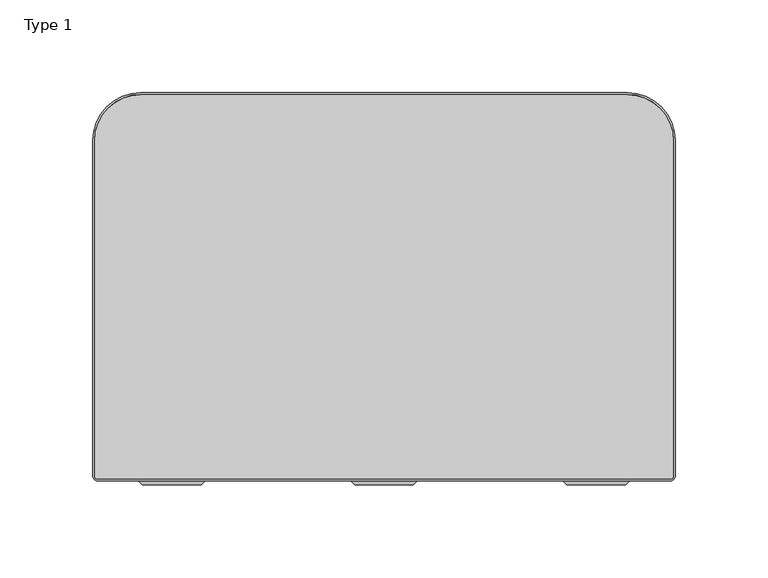
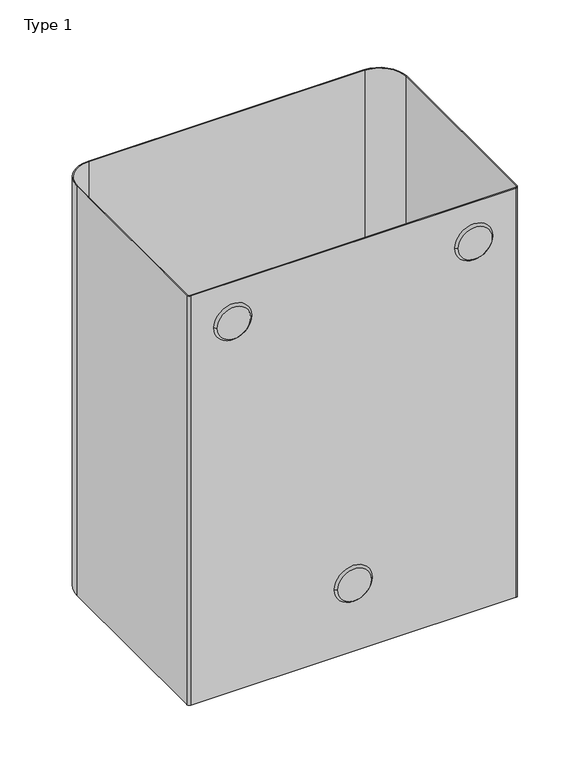
"""IFC4 building model written with IfcOpenShell, lengths in millimetres: furniture geometry, Type 1."""

from ifc_helpers import new_model, si_unit, point, frame, frame_2d, origin, origin_with_axes, place, context, project, spatial, polyline, circle_curve, trimmed, segment, composite_curve, outline, extrude, source, transform, mapped, element, save
from ifc_brep_helpers import plane_surface, revolved_surface, advanced_brep


def type_1_857451b2(model_context):
    return source(origin(), model_context, "Body", "SolidModel", [
        advanced_brep(
        [(140.8750003, 76.0, 68.0000009), (109.1249997, 76.0, 68.0000009), (143.0499997, 78.1750126, 68.0000009), (106.9500003, 78.1750126, 68.0000009)],
        [
            (0, 1, circle_curve(frame((125.0, 76.0, 68.0000009), z_axis=(0.0, -1.0, 0.0), x_axis=(1.0, 0.0, 0.0)), 15.8750003)),
            (1, 0, circle_curve(frame((125.0, 76.0, 68.0000009), z_axis=(0.0, -1.0, 0.0), x_axis=(-1.0, 0.0, 0.0)), 15.8750003)),
            (2, 3, circle_curve(frame((125.0, 78.1750126, 68.0000009), z_axis=(0.0, 1.0, 0.0), x_axis=(-1.0, 0.0, 0.0)), 18.0499997)),
            (3, 2, circle_curve(frame((125.0, 78.1750126, 68.0000009), z_axis=(0.0, 1.0, 0.0), x_axis=(1.0, 0.0, 0.0)), 18.0499997)),
            (2, 0),
            (1, 3),
        ],
        [
            plane_surface(frame((125.0, 76.0, 68.0000009), z_axis=(0.0, -1.0, 0.0), x_axis=(0.0, 0.0, -1.0))),
            plane_surface(frame((125.0, 78.1750126, 68.0000009), z_axis=(0.0, 1.0, 0.0), x_axis=(0.0, 0.0, -1.0))),
            revolved_surface(polyline([(109.1249997536042, 76.0, 68.0000009), (106.9500003, 78.1750126, 68.0000009)]), (125.0, 60.1249038, 68.0000009), (0.0, 1.0, 0.0)),
            revolved_surface(polyline([(140.8750002463958, 76.0, 68.0000009), (143.0499997, 78.1750126, 68.0000009)]), (125.0, 60.1249038, 68.0000009), (0.0, 1.0, 0.0)),
        ],
        [
            (0, [[1, 2]]),
            (1, [[3, 4]]),
            (2, [[-3, 5, -2, 6]]),
            (3, [[-4, -6, -1, -5]]),
        ],
    ),
        advanced_brep(
        [(-5.3750051, 76.0, 371.0000108), (26.3749955, 76.0, 371.0000108), (-7.5500045, 78.1750126, 371.0000108), (28.5499949, 78.1750126, 371.0000108)],
        [
            (0, 1, circle_curve(frame((10.4999952, 76.0, 371.0000108), z_axis=(0.0, -1.0, 0.0), x_axis=(-1.0, 0.0, 0.0)), 15.8750003)),
            (1, 0, circle_curve(frame((10.4999952, 76.0, 371.0000108), z_axis=(0.0, -1.0, 0.0), x_axis=(1.0, 0.0, 0.0)), 15.8750003)),
            (2, 3, circle_curve(frame((10.4999952, 78.1750126, 371.0000108), z_axis=(0.0, 1.0, 0.0), x_axis=(1.0, 0.0, 0.0)), 18.0499997)),
            (3, 2, circle_curve(frame((10.4999952, 78.1750126, 371.0000108), z_axis=(0.0, 1.0, 0.0), x_axis=(-1.0, 0.0, 0.0)), 18.0499997)),
            (3, 1),
            (0, 2),
        ],
        [
            plane_surface(frame((10.4999952, 76.0, 371.0000108), z_axis=(0.0, -1.0, 0.0), x_axis=(0.0, 0.0, 1.0))),
            plane_surface(frame((10.4999952, 78.1750126, 371.0000108), z_axis=(0.0, 1.0, 0.0), x_axis=(0.0, 0.0, 1.0))),
            revolved_surface(polyline([(-5.375005046395804, 76.0, 371.0000108), (-7.5500045, 78.1750126, 371.0000108)]), (10.4999952, 60.1249038, 371.0000108), (0.0, 1.0, 0.0)),
            revolved_surface(polyline([(26.374995446395808, 76.0, 371.0000108), (28.5499949, 78.1750126, 371.0000108)]), (10.4999952, 60.1249038, 371.0000108), (0.0, 1.0, 0.0)),
        ],
        [
            (0, [[1, 2]]),
            (1, [[3, 4]]),
            (2, [[-4, 5, -1, 6]]),
            (3, [[-3, -6, -2, -5]]),
        ],
    ),
        advanced_brep(
        [(255.3750051, 76.0, 371.0000108), (223.6250045, 76.0, 371.0000108), (257.5500045, 78.1750126, 371.0000108), (221.4500051, 78.1750126, 371.0000108)],
        [
            (0, 1, circle_curve(frame((239.5000048, 76.0, 371.0000108), z_axis=(0.0, -1.0, 0.0), x_axis=(1.0, 0.0, 0.0)), 15.8750003)),
            (1, 0, circle_curve(frame((239.5000048, 76.0, 371.0000108), z_axis=(0.0, -1.0, 0.0), x_axis=(-1.0, 0.0, 0.0)), 15.8750003)),
            (2, 3, circle_curve(frame((239.5000048, 78.1750126, 371.0000108), z_axis=(0.0, 1.0, 0.0), x_axis=(-1.0, 0.0, 0.0)), 18.0499997)),
            (3, 2, circle_curve(frame((239.5000048, 78.1750126, 371.0000108), z_axis=(0.0, 1.0, 0.0), x_axis=(1.0, 0.0, 0.0)), 18.0499997)),
            (2, 0),
            (1, 3),
        ],
        [
            plane_surface(frame((239.5000048, 76.0, 371.0000108), z_axis=(0.0, -1.0, 0.0), x_axis=(0.0, 0.0, -1.0))),
            plane_surface(frame((239.5000048, 78.1750126, 371.0000108), z_axis=(0.0, 1.0, 0.0), x_axis=(0.0, 0.0, -1.0))),
            revolved_surface(polyline([(223.62500455360419, 76.0, 371.0000108), (221.4500051, 78.1750126, 371.0000108)]), (239.5000048, 60.1249038, 371.0000108), (0.0, 1.0, 0.0)),
            revolved_surface(polyline([(255.3750050463958, 76.0, 371.0000108), (257.5500045, 78.1750126, 371.0000108)]), (239.5000048, 60.1249038, 371.0000108), (0.0, 1.0, 0.0)),
        ],
        [
            (0, [[1, 2]]),
            (1, [[3, 4]]),
            (2, [[-3, 5, -2, 6]]),
            (3, [[-4, -6, -1, -5]]),
        ],
    ),
        extrude(outline(composite_curve([segment(polyline([(281.0000042, 261.5750217), (281.0000042, 80.6816235)]), True, "CONTINUOUS"), segment(trimmed(circle_curve(frame_2d((279.4933934, 80.6816235)), 1.5066109), [point((281.0000042, 80.6816235))], [point((279.4933934, 79.1750126))], False, "CARTESIAN"), True, "CONTINUOUS"), segment(polyline([(279.4933934, 79.1750126), (-29.4999793, 79.1750126)]), True, "CONTINUOUS"), segment(trimmed(circle_curve(frame_2d((-29.4999793, 80.6750126)), 1.5), [point((-29.4999793, 79.1750126))], [point((-30.9999793, 80.6750126))], False, "CARTESIAN"), True, "CONTINUOUS"), segment(polyline([(-30.9999793, 80.6750126), (-30.9999793, 261.5750217)]), True, "CONTINUOUS"), segment(trimmed(circle_curve(frame_2d((-5.9999793, 261.5750217)), 25.0), [point((-30.9999793, 261.5750217))], [point((-5.9999793, 286.5750217))], False, "CARTESIAN"), True, "CONTINUOUS"), segment(polyline([(-5.9999793, 286.5750217), (256.0000042, 286.5750217)]), True, "CONTINUOUS"), segment(trimmed(circle_curve(frame_2d((256.0000042, 261.5750217)), 25.0), [point((256.0000042, 286.5750217))], [point((281.0000042, 261.5750217))], False, "CARTESIAN"), True, "CONTINUOUS")], self_intersect=False)), frame((0.0, 0.0, 15.6000005), z_axis=(0.0, 0.0, 1.0), x_axis=(1.0, 0.0, 0.0)), (0.0, 0.0, 1.0), 0.9999991),
        extrude(outline(composite_curve([segment(trimmed(circle_curve(frame_2d((279.4933934, 80.6816235)), 2.5066109), [point((282.0000042, 80.6816235))], [point((279.4933934, 78.1750126))], False, "CARTESIAN"), True, "CONTINUOUS"), segment(polyline([(279.4933934, 78.1750126), (-29.4999793, 78.1750126)]), True, "CONTINUOUS"), segment(trimmed(circle_curve(frame_2d((-29.4999793, 80.6750126)), 2.5), [point((-29.4999793, 78.1750126))], [point((-31.9999793, 80.6750126))], False, "CARTESIAN"), True, "CONTINUOUS"), segment(polyline([(-31.9999793, 80.6750126), (-31.9999793, 261.5750217)]), True, "CONTINUOUS"), segment(trimmed(circle_curve(frame_2d((-5.9999793, 261.5750217)), 26.0), [point((-31.9999793, 261.5750217))], [point((-5.9999793, 287.5750217))], False, "CARTESIAN"), True, "CONTINUOUS"), segment(polyline([(-5.9999793, 287.5750217), (256.0000042, 287.5750217)]), True, "CONTINUOUS"), segment(trimmed(circle_curve(frame_2d((256.0000042, 261.5750217)), 26.0), [point((256.0000042, 287.5750217))], [point((282.0000042, 261.5750217))], False, "CARTESIAN"), True, "CONTINUOUS"), segment(polyline([(282.0000042, 261.5750217), (282.0000042, 80.6816235)]), True, "CONTINUOUS")], self_intersect=False), holes=[composite_curve([segment(trimmed(circle_curve(frame_2d((256.0000042, 261.5750217)), 25.0), [point((281.0000042, 261.5750217))], [point((256.0000042, 286.5750217))], True, "CARTESIAN"), True, "CONTINUOUS"), segment(polyline([(256.0000042, 286.5750217), (-5.9999793, 286.5750217)]), True, "CONTINUOUS"), segment(trimmed(circle_curve(frame_2d((-5.9999793, 261.5750217)), 25.0), [point((-5.9999793, 286.5750217))], [point((-30.9999793, 261.5750217))], True, "CARTESIAN"), True, "CONTINUOUS"), segment(polyline([(-30.9999793, 261.5750217), (-30.9999793, 80.6750126)]), True, "CONTINUOUS"), segment(trimmed(circle_curve(frame_2d((-29.4999793, 80.6750126)), 1.5), [point((-30.9999793, 80.6750126))], [point((-29.4999793, 79.1750126))], True, "CARTESIAN"), True, "CONTINUOUS"), segment(polyline([(-29.4999793, 79.1750126), (279.4933934, 79.1750126)]), True, "CONTINUOUS"), segment(trimmed(circle_curve(frame_2d((279.4933934, 80.6816235)), 1.5066109), [point((279.4933934, 79.1750126))], [point((281.0000042, 80.6816235))], True, "CARTESIAN"), True, "CONTINUOUS"), segment(polyline([(281.0000042, 80.6816235), (281.0000042, 261.5750217)]), True, "CONTINUOUS")], self_intersect=False)]), origin_with_axes(), (0.0, 0.0, 1.0), 410.9999857),
    ])


if __name__ == "__main__":
    model = new_model("IFC4")
    model_context = context("Model", 3, world=origin())
    ifc_project = project(units=[si_unit("LENGTHUNIT", "METRE", prefix="MILLI")], contexts=[model_context])
    site = spatial("IfcSite", under=ifc_project)
    building = spatial("IfcBuilding", under=site)
    placement = place(None, origin())
    type_1_shape = type_1_857451b2(model_context)
    element("IfcFurniture", 1, ObjectType="Type 1", at=placement, inside=building, context=model_context, shape_type="MappedRepresentation", body=[
        mapped(type_1_shape, transform((0.0, 0.0, 0.0), x_axis=(1.0, 0.0, 0.0), y_axis=(0.0, 1.0, 0.0), z_axis=(0.0, 0.0, 1.0))),
    ])
    save(model, "model.ifc")
